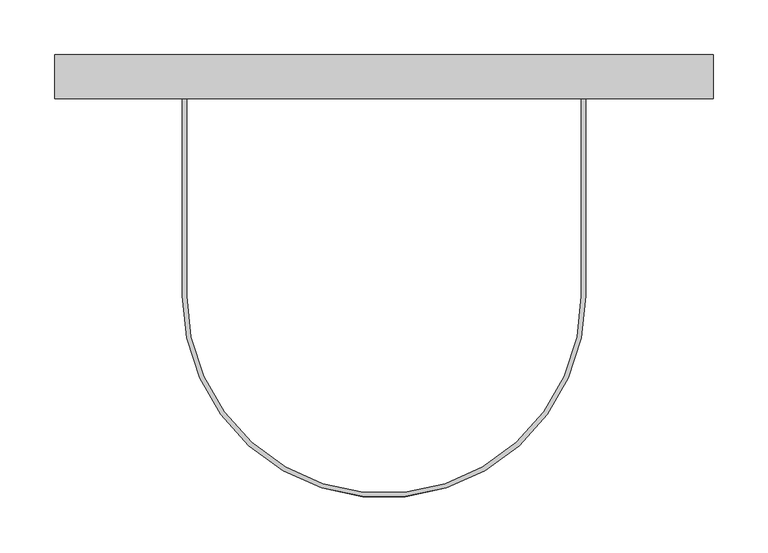
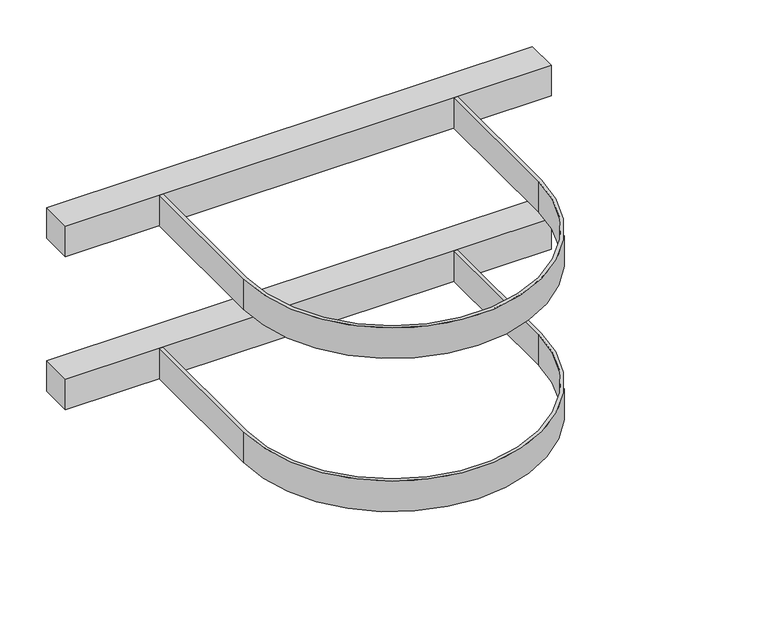
"""IFC4 building model written with IfcOpenShell, lengths in millimetres: proxy geometry."""

from ifc_helpers import new_model, si_unit, point, frame, origin, origin_2d, place, context, project, spatial, polyline, circle_curve, trimmed, segment, composite_curve, outline, extrude, source, transform, mapped, element, save


def specialty_equipment_519ab157(model_context):
    return source(origin(), model_context, "Body", "SweptSolid", [
        extrude(outline(polyline([(300.0, 180.0), (-300.0, 180.0), (-300.0, 220.0), (300.0, 220.0), (300.0, 180.0)])), frame((0.0, 0.0, -20.0), z_axis=(0.0, 0.0, 1.0), x_axis=(1.0, 0.0, 0.0)), (0.0, 0.0, 1.0), 40.0),
        extrude(outline(composite_curve([segment(polyline([(-180.0, 180.0), (-180.0, 0.0)]), True, "CONTINUOUS"), segment(trimmed(circle_curve(origin_2d(), 180.0), [point((-180.0, 0.0))], [point((180.0, 0.0))], True, "CARTESIAN"), True, "CONTINUOUS"), segment(polyline([(180.0, 0.0), (180.0, 180.0), (184.0, 180.0), (184.0, 0.0)]), True, "CONTINUOUS"), segment(trimmed(circle_curve(origin_2d(), 184.0), [point((184.0, 0.0))], [point((-184.0, 0.0))], False, "CARTESIAN"), True, "CONTINUOUS"), segment(polyline([(-184.0, 0.0), (-184.0, 180.0), (-180.0, 180.0)]), True, "CONTINUOUS")], self_intersect=False)), frame((0.0, 0.0, -20.0), z_axis=(0.0, 0.0, 1.0), x_axis=(1.0, 0.0, 0.0)), (0.0, 0.0, 1.0), 40.0),
        extrude(outline(polyline([(300.0, 180.0), (-300.0, 180.0), (-300.0, 220.0), (300.0, 220.0), (300.0, 180.0)])), frame((0.0, 0.0, 180.0), z_axis=(0.0, 0.0, 1.0), x_axis=(1.0, 0.0, 0.0)), (0.0, 0.0, 1.0), 40.0),
        extrude(outline(composite_curve([segment(polyline([(-180.0, 180.0), (-180.0, 0.0)]), True, "CONTINUOUS"), segment(trimmed(circle_curve(origin_2d(), 180.0), [point((-180.0, 0.0))], [point((180.0, 0.0))], True, "CARTESIAN"), True, "CONTINUOUS"), segment(polyline([(180.0, 0.0), (180.0, 180.0), (184.0, 180.0), (184.0, 0.0)]), True, "CONTINUOUS"), segment(trimmed(circle_curve(origin_2d(), 184.0), [point((184.0, 0.0))], [point((-184.0, 0.0))], False, "CARTESIAN"), True, "CONTINUOUS"), segment(polyline([(-184.0, 0.0), (-184.0, 180.0), (-180.0, 180.0)]), True, "CONTINUOUS")], self_intersect=False)), frame((0.0, 0.0, 180.0), z_axis=(0.0, 0.0, 1.0), x_axis=(1.0, 0.0, 0.0)), (0.0, 0.0, 1.0), 40.0),
    ])


if __name__ == "__main__":
    model = new_model("IFC4")
    model_context = context("Model", 3, world=origin())
    ifc_project = project(units=[si_unit("LENGTHUNIT", "METRE", prefix="MILLI")], contexts=[model_context])
    site = spatial("IfcSite", under=ifc_project)
    building = spatial("IfcBuilding", under=site)
    placement = place(None, origin())
    specialty_equipment_shape = specialty_equipment_519ab157(model_context)
    element("IfcBuildingElementProxy", 1, Name="Specialty Equipment", at=placement, inside=building, context=model_context, shape_type="MappedRepresentation", body=[
        mapped(specialty_equipment_shape, transform((0.0, 0.0, 0.0), x_axis=(1.0, 0.0, 0.0), y_axis=(0.0, 1.0, 0.0), z_axis=(0.0, 0.0, 1.0))),
    ])
    save(model, "model.ifc")
